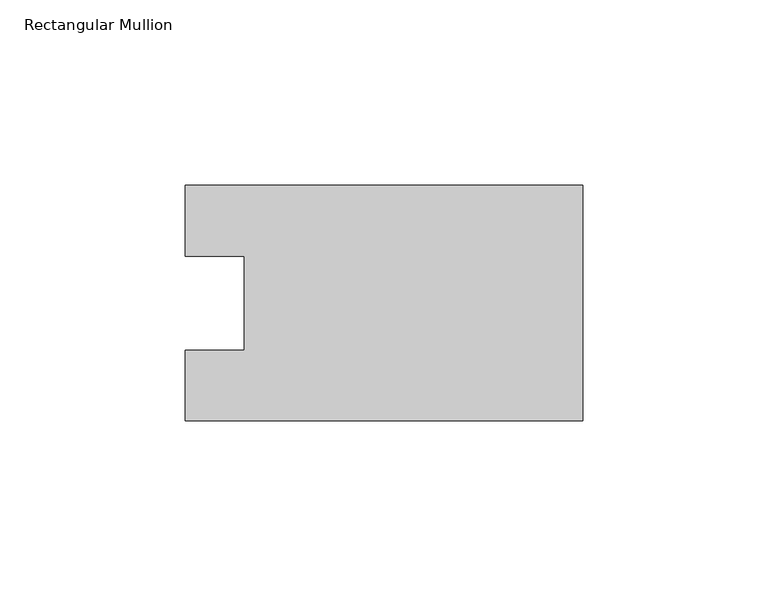
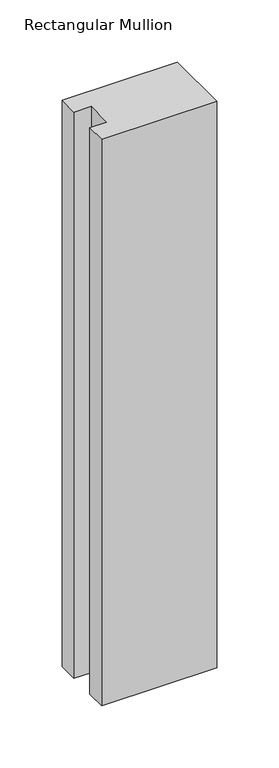
"""IFC4 building model written with IfcOpenShell, lengths in millimetres: member geometry, Rectangular Mullion."""

from ifc_helpers import new_model, si_unit, frame, origin, place, context, project, spatial, polyline, outline, extrude, source, transform, mapped, element, save


def rectangular_mullion_cb1db232(model_context):
    return source(origin(), model_context, "Body", "SweptSolid", [
        extrude(outline(polyline([(0.0, 31.7489583), (0.0, -31.7489583), (-107.0607968, -31.7489583), (-107.0607968, -12.7), (-91.1857968, -12.7), (-91.1857968, 12.7), (-107.0607968, 12.7), (-107.0607968, 31.7489583), (0.0, 31.7489583)])), frame((0.0, 0.0, -556.5267), z_axis=(0.0, 0.0, 1.0), x_axis=(1.0, 0.0, 0.0)), (0.0, 0.0, 1.0), 556.5267),
    ])


if __name__ == "__main__":
    model = new_model("IFC4")
    model_context = context("Model", 3, world=origin())
    ifc_project = project(units=[si_unit("LENGTHUNIT", "METRE", prefix="MILLI")], contexts=[model_context])
    site = spatial("IfcSite", under=ifc_project)
    building = spatial("IfcBuilding", under=site)
    placement = place(None, origin())
    rectangular_mullion_shape = rectangular_mullion_cb1db232(model_context)
    element("IfcMember", 1, ObjectType="Rectangular Mullion", at=placement, inside=building, context=model_context, shape_type="MappedRepresentation", body=[
        mapped(rectangular_mullion_shape, transform((0.0, 0.0, 0.0), x_axis=(1.0, 0.0, 0.0), y_axis=(0.0, 1.0, 0.0), z_axis=(0.0, 0.0, 1.0))),
    ])
    save(model, "model.ifc")
